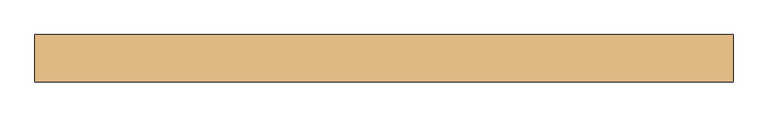
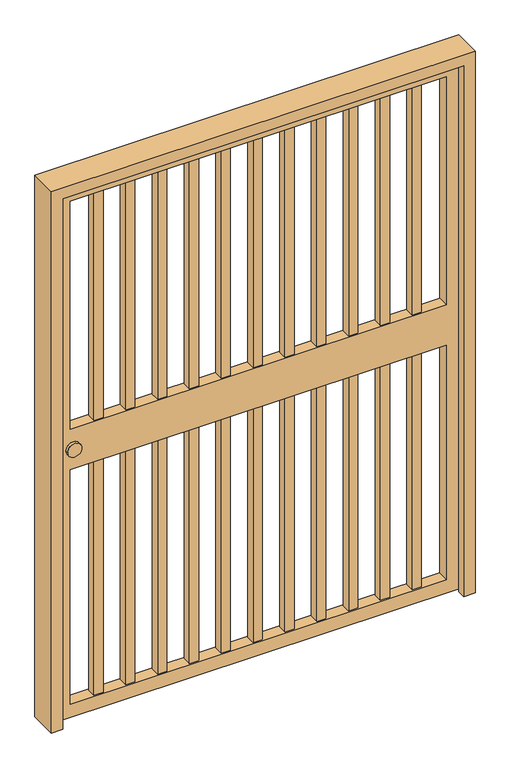
"""IFC4 building model written with IfcOpenShell, lengths in millimetres: door geometry."""

from ifc_helpers import new_model, si_unit, frame, origin, place, context, project, spatial, polyline, circle_curve, outline, extrude, faceted_brep, source, transform, mapped, element, save
from ifc_brep_helpers import plane_surface, cylinder_surface, advanced_brep


def door_b0040593(model_context):
    return source(origin(), model_context, "Body", "SolidModel", [
        extrude(outline(polyline([(-428.8, -38.0), (-460.8, -38.0), (-460.8, -6.0), (-428.8, -6.0), (-428.8, -38.0)])), frame((0.0, 0.0, 60.0), z_axis=(0.0, 0.0, 1.0), x_axis=(1.0, 0.0, 0.0)), (0.0, 0.0, 1.0), 1857.5),
        extrude(outline(polyline([(-317.6, -38.0), (-349.6, -38.0), (-349.6, -6.0), (-317.6, -6.0), (-317.6, -38.0)])), frame((0.0, 0.0, 60.0), z_axis=(0.0, 0.0, 1.0), x_axis=(1.0, 0.0, 0.0)), (0.0, 0.0, 1.0), 1857.5),
        extrude(outline(polyline([(460.8, -38.0), (428.8, -38.0), (428.8, -6.0), (460.8, -6.0), (460.8, -38.0)])), frame((0.0, 0.0, 60.0), z_axis=(0.0, 0.0, 1.0), x_axis=(1.0, 0.0, 0.0)), (0.0, 0.0, 1.0), 1857.5),
        extrude(outline(polyline([(349.6, -38.0), (317.6, -38.0), (317.6, -6.0), (349.6, -6.0), (349.6, -38.0)])), frame((0.0, 0.0, 60.0), z_axis=(0.0, 0.0, 1.0), x_axis=(1.0, 0.0, 0.0)), (0.0, 0.0, 1.0), 1857.5),
        extrude(outline(polyline([(-206.4, -38.0), (-238.4, -38.0), (-238.4, -6.0), (-206.4, -6.0), (-206.4, -38.0)])), frame((0.0, 0.0, 60.0), z_axis=(0.0, 0.0, 1.0), x_axis=(1.0, 0.0, 0.0)), (0.0, 0.0, 1.0), 1857.5),
        extrude(outline(polyline([(-95.2, -38.0), (-127.2, -38.0), (-127.2, -6.0), (-95.2, -6.0), (-95.2, -38.0)])), frame((0.0, 0.0, 60.0), z_axis=(0.0, 0.0, 1.0), x_axis=(1.0, 0.0, 0.0)), (0.0, 0.0, 1.0), 1857.5),
        extrude(outline(polyline([(-540.0, -38.0), (-572.0, -38.0), (-572.0, -6.0), (-540.0, -6.0), (-540.0, -38.0)])), frame((0.0, 0.0, 60.0), z_axis=(0.0, 0.0, 1.0), x_axis=(1.0, 0.0, 0.0)), (0.0, 0.0, 1.0), 1857.5),
        extrude(outline(polyline([(238.4, -38.0), (206.4, -38.0), (206.4, -6.0), (238.4, -6.0), (238.4, -38.0)])), frame((0.0, 0.0, 60.0), z_axis=(0.0, 0.0, 1.0), x_axis=(1.0, 0.0, 0.0)), (0.0, 0.0, 1.0), 1857.5),
        extrude(outline(polyline([(127.2, -38.0), (95.2, -38.0), (95.2, -6.0), (127.2, -6.0), (127.2, -38.0)])), frame((0.0, 0.0, 60.0), z_axis=(0.0, 0.0, 1.0), x_axis=(1.0, 0.0, 0.0)), (0.0, 0.0, 1.0), 1857.5),
        extrude(outline(polyline([(572.0, -38.0), (540.0, -38.0), (540.0, -6.0), (572.0, -6.0), (572.0, -38.0)])), frame((0.0, 0.0, 60.0), z_axis=(0.0, 0.0, 1.0), x_axis=(1.0, 0.0, 0.0)), (0.0, 0.0, 1.0), 1857.5),
        extrude(outline(polyline([(16.0, -38.0), (-16.0, -38.0), (-16.0, -6.0), (16.0, -6.0), (16.0, -38.0)])), frame((0.0, 0.0, 60.0), z_axis=(0.0, 0.0, 1.0), x_axis=(1.0, 0.0, 0.0)), (0.0, 0.0, 1.0), 1857.5),
        faceted_brep([(715.0, 28.0, 0.0), (740.0, 28.0, 0.0), (740.0, -72.0, 0.0), (700.0, -72.0, 0.0), (700.0, -42.0, 0.0), (715.0, -42.0, 0.0), (715.0, -42.0, 1975.0), (715.0, 28.0, 1975.0), (700.0, -42.0, 1960.0), (-700.0, -42.0, 1960.0), (-700.0, -42.0, 0.0), (-715.0, -42.0, 0.0), (-715.0, -42.0, 1975.0), (700.0, -72.0, 1960.0), (740.0, -72.0, 2000.0), (-740.0, -72.0, 2000.0), (-740.0, -72.0, 0.0), (-700.0, -72.0, 0.0), (-700.0, -72.0, 1960.0), (740.0, 28.0, 2000.0), (-715.0, 28.0, 1975.0), (-715.0, 28.0, 0.0), (-740.0, 28.0, 0.0), (-740.0, 28.0, 2000.0)], [[[0, 1, 2, 3, 4, 5]], [[5, 6, 7, 0]], [[4, 8, 9, 10, 11, 12, 6, 5]], [[3, 13, 8, 4]], [[2, 14, 15, 16, 17, 18, 13, 3]], [[1, 19, 14, 2]], [[0, 7, 20, 21, 22, 23, 19, 1]], [[12, 11, 21, 20]], [[21, 11, 10, 17, 16, 22]], [[18, 17, 10, 9]], [[23, 22, 16, 15]], [[6, 12, 20, 7]], [[13, 18, 9, 8]], [[19, 23, 15, 14]]]),
        advanced_brep(
        [(707.0, -2.0, 1967.5), (707.0, -2.0, 10.0), (-707.0, -2.0, 10.0), (-707.0, -2.0, 1967.5), (657.0, -2.0, 60.0), (657.0, -2.0, 925.0), (-657.0, -2.0, 925.0), (-657.0, -2.0, 60.0), (-657.0, -2.0, 1917.5), (-657.0, -2.0, 1075.0), (657.0, -2.0, 1075.0), (657.0, -2.0, 1917.5), (-672.0, -2.0, 1000.0), (-622.0, -2.0, 1000.0), (707.0, -42.0, 1967.5), (-707.0, -42.0, 1967.5), (-707.0, -42.0, 10.0), (707.0, -42.0, 10.0), (657.0, -42.0, 1917.5), (657.0, -42.0, 1075.0), (-657.0, -42.0, 1075.0), (-657.0, -42.0, 1917.5), (-657.0, -42.0, 60.0), (-657.0, -42.0, 925.0), (657.0, -42.0, 925.0), (657.0, -42.0, 60.0), (-622.0, -42.0, 1000.0), (-672.0, -42.0, 1000.0), (-622.0, -52.0, 1000.0), (-672.0, -52.0, 1000.0), (-622.0, 8.0, 1000.0), (-672.0, 8.0, 1000.0)],
        [
            (0, 1),
            (1, 2),
            (2, 3),
            (3, 0),
            (4, 5),
            (5, 6),
            (6, 7),
            (7, 4),
            (8, 9),
            (9, 10),
            (10, 11),
            (11, 8),
            (12, 13, circle_curve(frame((-647.0, -2.0, 1000.0), z_axis=(0.0, -1.0, 0.0), x_axis=(-1.0, 0.0, 0.0)), 25.0)),
            (13, 12, circle_curve(frame((-647.0, -2.0, 1000.0), z_axis=(0.0, -1.0, 0.0), x_axis=(-1.0, 0.0, 0.0)), 25.0)),
            (14, 15),
            (15, 16),
            (16, 17),
            (17, 14),
            (18, 19),
            (19, 20),
            (20, 21),
            (21, 18),
            (22, 23),
            (23, 24),
            (24, 25),
            (25, 22),
            (26, 27, circle_curve(frame((-647.0, -42.0, 1000.0), z_axis=(0.0, 1.0, 0.0), x_axis=(-1.0, 0.0, 0.0)), 25.0)),
            (27, 26, circle_curve(frame((-647.0, -42.0, 1000.0), z_axis=(0.0, 1.0, 0.0), x_axis=(-1.0, 0.0, 0.0)), 25.0)),
            (3, 15),
            (14, 0),
            (2, 16),
            (1, 17),
            (10, 19),
            (18, 11),
            (24, 5),
            (4, 25),
            (21, 8),
            (6, 23),
            (22, 7),
            (20, 9),
            (28, 29, circle_curve(frame((-647.0, -52.0, 1000.0), z_axis=(0.0, -1.0, 0.0), x_axis=(-1.0, 0.0, 0.0)), 25.0)),
            (29, 28, circle_curve(frame((-647.0, -52.0, 1000.0), z_axis=(0.0, -1.0, 0.0), x_axis=(-1.0, 0.0, 0.0)), 25.0)),
            (30, 31, circle_curve(frame((-647.0, 8.0, 1000.0), z_axis=(0.0, 1.0, 0.0), x_axis=(-1.0, 0.0, 0.0)), 25.0)),
            (31, 30, circle_curve(frame((-647.0, 8.0, 1000.0), z_axis=(0.0, 1.0, 0.0), x_axis=(-1.0, 0.0, 0.0)), 25.0)),
            (28, 26),
            (27, 29),
            (31, 12),
            (13, 30),
        ],
        [
            plane_surface(frame((707.0, -2.0, 1967.5), z_axis=(0.0, 1.0, 0.0), x_axis=(0.0, 0.0, 1.0))),
            plane_surface(frame((707.0, -42.0, 1967.5), z_axis=(0.0, -1.0, 0.0), x_axis=(0.0, 0.0, -1.0))),
            plane_surface(frame((-707.0, -42.0, 1967.5), z_axis=(0.0, 0.0, 1.0), x_axis=(0.0, 1.0, 0.0))),
            plane_surface(frame((-707.0, -42.0, 10.0), z_axis=(-1.0, 0.0, 0.0), x_axis=(0.0, 1.0, 0.0))),
            plane_surface(frame((707.0, -42.0, 10.0), z_axis=(0.0, 0.0, -1.0), x_axis=(0.0, 1.0, 0.0))),
            plane_surface(frame((707.0, -42.0, 1967.5), z_axis=(1.0, 0.0, 0.0), x_axis=(0.0, 1.0, 0.0))),
            plane_surface(frame((657.0, -42.0, 60.0), z_axis=(-1.0, 0.0, 0.0), x_axis=(0.0, 1.0, 0.0))),
            plane_surface(frame((657.0, -42.0, 1917.5), z_axis=(0.0, 0.0, -1.0), x_axis=(0.0, 1.0, 0.0))),
            plane_surface(frame((-657.0, -42.0, 1917.5), z_axis=(1.0, 0.0, 0.0), x_axis=(0.0, 1.0, 0.0))),
            plane_surface(frame((-657.0, -42.0, 60.0), z_axis=(0.0, 0.0, 1.0), x_axis=(0.0, 1.0, 0.0))),
            plane_surface(frame((-657.0, -42.0, 1075.0), z_axis=(0.0, 0.0, 1.0), x_axis=(0.0, 1.0, 0.0))),
            plane_surface(frame((657.0, -42.0, 925.0), z_axis=(0.0, 0.0, -1.0), x_axis=(0.0, 1.0, 0.0))),
            plane_surface(frame((-672.0, -52.0, 1000.0), z_axis=(0.0, -1.0, 0.0), x_axis=(0.0, 0.0, 1.0))),
            plane_surface(frame((-672.0, 8.0, 1000.0), z_axis=(0.0, 1.0, 0.0), x_axis=(0.0, 0.0, -1.0))),
            cylinder_surface(frame((-647.0, 8.0, 1000.0), z_axis=(0.0, -1.0, 0.0), x_axis=(-1.0, 0.0, 0.0)), 25.0),
        ],
        [
            (0, [[1, 2, 3, 4], [5, 6, 7, 8], [9, 10, 11, 12], [13, 14]]),
            (1, [[15, 16, 17, 18], [19, 20, 21, 22], [23, 24, 25, 26], [27, 28]]),
            (2, [[29, -15, 30, -4]]),
            (3, [[31, -16, -29, -3]]),
            (4, [[32, -17, -31, -2]]),
            (5, [[-30, -18, -32, -1]]),
            (6, [[-11, 33, -19, 34]]),
            (6, [[-25, 35, -5, 36]]),
            (7, [[-34, -22, 37, -12]]),
            (8, [[-7, 38, -23, 39]]),
            (8, [[-21, 40, -9, -37]]),
            (9, [[-39, -26, -36, -8]]),
            (10, [[-40, -20, -33, -10]]),
            (11, [[-35, -24, -38, -6]]),
            (12, [[41, 42]]),
            (13, [[43, 44]]),
            (14, [[45, -28, 46, -41]]),
            (14, [[47, -14, 48, -44]]),
            (14, [[-46, -27, -45, -42]]),
            (14, [[-48, -13, -47, -43]]),
        ],
    ),
    ])


if __name__ == "__main__":
    model = new_model("IFC4")
    model_context = context("Model", 3, world=origin())
    ifc_project = project(units=[si_unit("LENGTHUNIT", "METRE", prefix="MILLI")], contexts=[model_context])
    site = spatial("IfcSite", under=ifc_project)
    building = spatial("IfcBuilding", under=site)
    placement = place(None, origin())
    door_shape = door_b0040593(model_context)
    element("IfcDoor", 1, at=placement, inside=building, context=model_context, shape_type="MappedRepresentation", body=[
        mapped(door_shape, transform((0.0, 0.0, 0.0), x_axis=(1.0, 0.0, 0.0), y_axis=(0.0, 1.0, 0.0), z_axis=(0.0, 0.0, 1.0))),
    ])
    save(model, "model.ifc")
